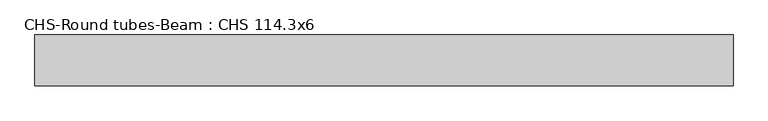
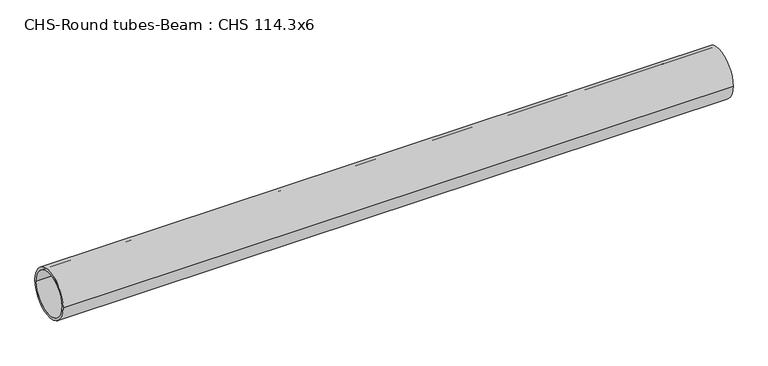
"""IFC4 building model written with IfcOpenShell, lengths in millimetres: beam geometry, CHS-Round tubes-Beam : CHS 114.3x6."""

from ifc_helpers import new_model, si_unit, point, frame, origin, origin_2d, place, context, project, spatial, circle_curve, trimmed, segment, composite_curve, outline, extrude, source, transform, mapped, element, save


def chs_round_tubes_beam_chs_114_3x6_924591a8(model_context):
    return source(origin(), model_context, "Body", "SweptSolid", [
        extrude(outline(composite_curve([segment(trimmed(circle_curve(origin_2d(), 57.15), [point((57.15, 0.0))], [point((-57.15, 0.0))], False, "CARTESIAN"), True, "CONTINUOUS"), segment(trimmed(circle_curve(origin_2d(), 57.15), [point((-57.15, 0.0))], [point((57.15, 0.0))], False, "CARTESIAN"), True, "CONTINUOUS")], self_intersect=False), holes=[composite_curve([segment(trimmed(circle_curve(origin_2d(), 51.15), [point((51.15, 0.0))], [point((-51.15, 0.0))], True, "CARTESIAN"), True, "CONTINUOUS"), segment(trimmed(circle_curve(origin_2d(), 51.15), [point((-51.15, 0.0))], [point((51.15, 0.0))], True, "CARTESIAN"), True, "CONTINUOUS")], self_intersect=False)]), frame((-777.0249472, 0.0, 0.0), z_axis=(1.0, 0.0, 0.0), x_axis=(0.0, 1.0, 0.0)), (0.0, 0.0, 1.0), 1566.718894),
    ])


if __name__ == "__main__":
    model = new_model("IFC4")
    model_context = context("Model", 3, world=origin())
    ifc_project = project(units=[si_unit("LENGTHUNIT", "METRE", prefix="MILLI")], contexts=[model_context])
    site = spatial("IfcSite", under=ifc_project)
    building = spatial("IfcBuilding", under=site)
    placement = place(None, origin())
    chs_round_tubes_beam_chs_114_3x6_shape = chs_round_tubes_beam_chs_114_3x6_924591a8(model_context)
    element("IfcBeam", 1, ObjectType="CHS-Round tubes-Beam : CHS 114.3x6", at=placement, inside=building, context=model_context, shape_type="MappedRepresentation", body=[
        mapped(chs_round_tubes_beam_chs_114_3x6_shape, transform((0.0, 0.0, 0.0), x_axis=(1.0, 0.0, 0.0), y_axis=(0.0, 1.0, 0.0), z_axis=(0.0, 0.0, 1.0))),
    ])
    save(model, "model.ifc")
